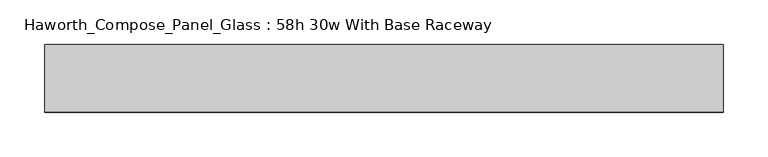
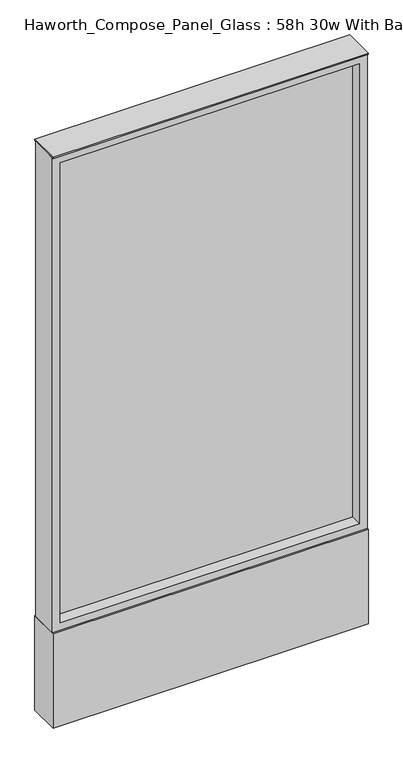
"""IFC4 building model written with IfcOpenShell, lengths in millimetres: furniture geometry, Haworth_Compose_Panel_Glass : 58h 30w With Base Raceway."""

from ifc_helpers import new_model, si_unit, point, frame, frame_2d, origin, origin_with_axes, place, context, project, spatial, polyline, circle_curve, trimmed, segment, composite_curve, outline, extrude, source, transform, mapped, element, save


def haworth_compose_panel_glass_58h_30w_with_base_raceway_c711cf73(model_context):
    return source(origin(), model_context, "Body", "SweptSolid", [
        extrude(outline(composite_curve([segment(trimmed(circle_curve(frame_2d((307.2402902, 0.0)), 12.7), [point((294.5402902, 0.0))], [point((319.9402902, 0.0))], False, "CARTESIAN"), True, "CONTINUOUS"), segment(trimmed(circle_curve(frame_2d((307.2402902, 0.0)), 12.7), [point((319.9402902, 0.0))], [point((294.5402902, 0.0))], False, "CARTESIAN"), True, "CONTINUOUS")], self_intersect=False)), origin_with_axes(), (0.0, 0.0, 1.0), 12.7),
        extrude(outline(composite_curve([segment(trimmed(circle_curve(frame_2d((-302.3597098, 0.0)), 12.7), [point((-315.0597098, 0.0))], [point((-289.6597098, 0.0))], False, "CARTESIAN"), True, "CONTINUOUS"), segment(trimmed(circle_curve(frame_2d((-302.3597098, 0.0)), 12.7), [point((-289.6597098, 0.0))], [point((-315.0597098, 0.0))], False, "CARTESIAN"), True, "CONTINUOUS")], self_intersect=False)), origin_with_axes(), (0.0, 0.0, 1.0), 12.7),
        extrude(outline(polyline([(364.3902902, -6.35), (-359.5097098, -6.35), (-359.5097098, 6.35), (364.3902902, 6.35), (364.3902902, -6.35)])), frame((0.0, 0.0, 273.05), z_axis=(0.0, 0.0, 1.0), x_axis=(1.0, 0.0, 0.0)), (0.0, 0.0, 1.0), 1174.75),
        extrude(outline(polyline([(1466.85, -378.5597098), (254.0, -378.5597098), (254.0, 383.4402902), (1466.85, 383.4402902), (1466.85, -378.5597098)]), holes=[polyline([(1447.8, 364.3902902), (273.05, 364.3902902), (273.05, -359.5097098), (1447.8, -359.5097098), (1447.8, 364.3902902)])]), frame((0.0, -34.925, 0.0), z_axis=(0.0, 1.0, 0.0), x_axis=(0.0, 0.0, 1.0)), (0.0, 0.0, 1.0), 69.85),
        extrude(outline(polyline([(-378.5597098, 38.1), (383.4402902, 38.1), (383.4402902, -38.1), (-378.5597098, -38.1), (-378.5597098, 38.1)])), frame((0.0, 0.0, 12.7), z_axis=(0.0, 0.0, 1.0), x_axis=(1.0, 0.0, 0.0)), (0.0, 0.0, 1.0), 241.3),
        extrude(outline(polyline([(-378.5597098, -38.1), (-378.5597098, 38.1), (383.4402902, 38.1), (383.4402902, -38.1), (-378.5597098, -38.1)])), frame((0.0, 0.0, 1466.85), z_axis=(0.0, 0.0, 1.0), x_axis=(1.0, 0.0, 0.0)), (0.0, 0.0, 1.0), 3.175),
    ])


if __name__ == "__main__":
    model = new_model("IFC4")
    model_context = context("Model", 3, world=origin())
    ifc_project = project(units=[si_unit("LENGTHUNIT", "METRE", prefix="MILLI")], contexts=[model_context])
    site = spatial("IfcSite", under=ifc_project)
    building = spatial("IfcBuilding", under=site)
    placement = place(None, origin())
    haworth_compose_panel_glass_58h_30w_with_base_raceway_shape = haworth_compose_panel_glass_58h_30w_with_base_raceway_c711cf73(model_context)
    element("IfcFurniture", 1, ObjectType="Haworth_Compose_Panel_Glass : 58h 30w With Base Raceway", at=placement, inside=building, context=model_context, shape_type="MappedRepresentation", body=[
        mapped(haworth_compose_panel_glass_58h_30w_with_base_raceway_shape, transform((0.0, 0.0, 0.0), x_axis=(1.0, 0.0, 0.0), y_axis=(0.0, 1.0, 0.0), z_axis=(0.0, 0.0, 1.0))),
    ])
    save(model, "model.ifc")
